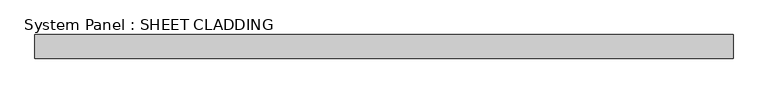
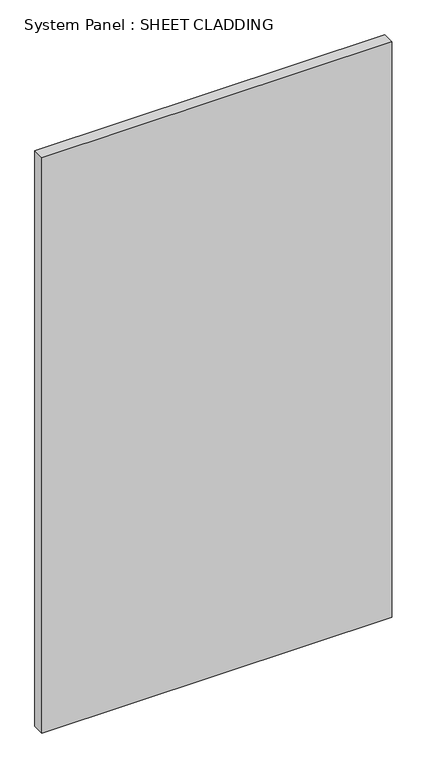
"""IFC4 building model written with IfcOpenShell, lengths in millimetres: plate geometry, System Panel : SHEET CLADDING."""

from ifc_helpers import new_model, si_unit, origin, origin_with_axes, place, context, project, spatial, polyline, outline, extrude, source, transform, mapped, element, save


def system_panel_sheet_cladding_ac34d5cb(model_context):
    return source(origin(), model_context, "Body", "SweptSolid", [
        extrude(outline(polyline([(871.7083333, -49.5), (-871.7083333, -49.5), (-871.7083333, 10.5), (871.7083333, 10.5), (871.7083333, -49.5)])), origin_with_axes(), (0.0, 0.0, 1.0), 3031.35),
    ])


if __name__ == "__main__":
    model = new_model("IFC4")
    model_context = context("Model", 3, world=origin())
    ifc_project = project(units=[si_unit("LENGTHUNIT", "METRE", prefix="MILLI")], contexts=[model_context])
    site = spatial("IfcSite", under=ifc_project)
    building = spatial("IfcBuilding", under=site)
    placement = place(None, origin())
    system_panel_sheet_cladding_shape = system_panel_sheet_cladding_ac34d5cb(model_context)
    element("IfcPlate", 1, ObjectType="System Panel : SHEET CLADDING", at=placement, inside=building, context=model_context, shape_type="MappedRepresentation", body=[
        mapped(system_panel_sheet_cladding_shape, transform((0.0, 0.0, 0.0), x_axis=(1.0, 0.0, 0.0), y_axis=(0.0, 1.0, 0.0), z_axis=(0.0, 0.0, 1.0))),
    ])
    save(model, "model.ifc")
